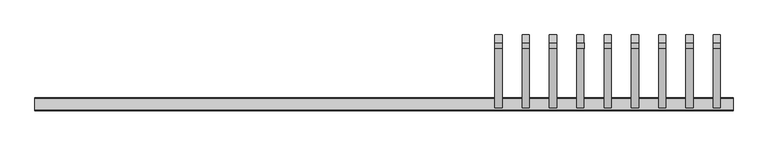
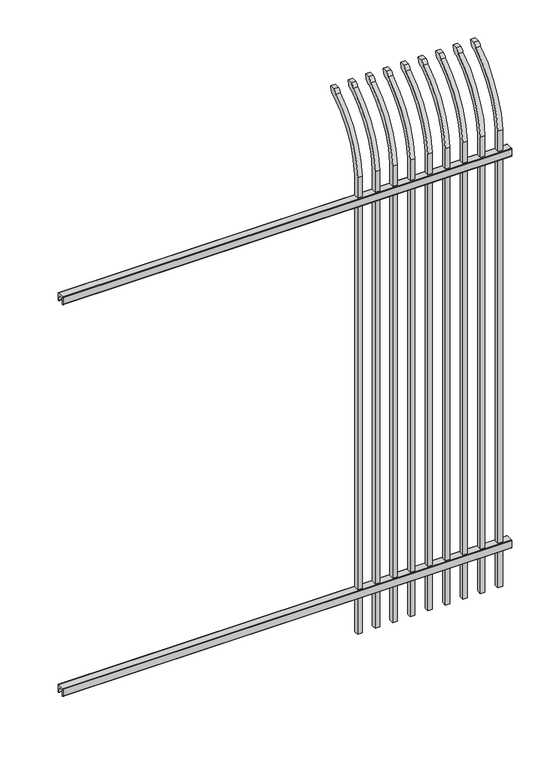
"""IFC4 building model written with IfcOpenShell, lengths in millimetres: railing geometry."""

from ifc_helpers import new_model, si_unit, point, frame, frame_2d, origin, place, context, project, spatial, polyline, circle_curve, ellipse_curve, trimmed, segment, composite_curve, outline, extrude, source, transform, mapped, element, save
from ifc_brep_helpers import plane_surface, cylinder_surface, revolved_surface, extruded_surface, advanced_brep


def railing_2c0c0bdd(model_context):
    return source(origin(), model_context, "Body", "SolidModel", [
        extrude(outline(composite_curve([segment(polyline([(8825.9139761, 304.8), (8863.969541, 304.8)]), True, "CONTINUOUS"), segment(trimmed(circle_curve(frame_2d((8863.969541, 301.625)), 3.175), [point((8863.969541, 304.8))], [point((8867.144541, 301.625))], False, "CARTESIAN"), True, "CONTINUOUS"), segment(polyline([(8867.144541, 301.625), (8867.144541, 262.1439893)]), True, "CONTINUOUS"), segment(trimmed(circle_curve(frame_2d((8865.3505518, 262.1439893)), 1.7939893), [point((8867.144541, 262.1439893))], [point((8865.3505518, 260.35))], False, "CARTESIAN"), True, "CONTINUOUS"), segment(polyline([(8865.3505518, 260.35), (8862.7590713, 260.35)]), True, "CONTINUOUS"), segment(trimmed(circle_curve(frame_2d((8862.7590713, 262.1359375)), 1.7859375), [point((8862.7590713, 260.35))], [point((8860.9755813, 262.0424688))], False, "CARTESIAN"), True, "CONTINUOUS"), segment(polyline([(8860.9755813, 262.0424688), (8859.4025867, 292.0569942), (8830.4364954, 292.0569942), (8828.8635007, 262.0424688)]), True, "CONTINUOUS"), segment(trimmed(circle_curve(frame_2d((8827.0800108, 262.1359375)), 1.7859375), [point((8828.8635007, 262.0424688))], [point((8827.0800108, 260.35))], False, "CARTESIAN"), True, "CONTINUOUS"), segment(polyline([(8827.0800108, 260.35), (8824.4804785, 260.35)]), True, "CONTINUOUS"), segment(trimmed(circle_curve(frame_2d((8824.4804785, 262.1359375)), 1.7859375), [point((8824.4804785, 260.35))], [point((8822.694541, 262.1359375))], False, "CARTESIAN"), True, "CONTINUOUS"), segment(polyline([(8822.694541, 262.1359375), (8822.694541, 301.5805649)]), True, "CONTINUOUS"), segment(trimmed(circle_curve(frame_2d((8825.9139761, 301.5805649)), 3.2194351), [point((8822.694541, 301.5805649))], [point((8825.9139761, 304.8))], False, "CARTESIAN"), True, "CONTINUOUS")], self_intersect=False)), frame((20019.7350064, 0.0, 0.0), z_axis=(1.0, 0.0, 0.0), x_axis=(0.0, 1.0, 0.0)), (0.0, 0.0, 1.0), 2438.4),
        extrude(outline(composite_curve([segment(polyline([(8825.9139761, 2555.875), (8863.969541, 2555.875)]), True, "CONTINUOUS"), segment(trimmed(circle_curve(frame_2d((8863.969541, 2552.7)), 3.175), [point((8863.969541, 2555.875))], [point((8867.144541, 2552.7))], False, "CARTESIAN"), True, "CONTINUOUS"), segment(polyline([(8867.144541, 2552.7), (8867.144541, 2513.2189893)]), True, "CONTINUOUS"), segment(trimmed(circle_curve(frame_2d((8865.3505518, 2513.2189893)), 1.7939893), [point((8867.144541, 2513.2189893))], [point((8865.3505518, 2511.425))], False, "CARTESIAN"), True, "CONTINUOUS"), segment(polyline([(8865.3505518, 2511.425), (8862.7590713, 2511.425)]), True, "CONTINUOUS"), segment(trimmed(circle_curve(frame_2d((8862.7590713, 2513.2109375)), 1.7859375), [point((8862.7590713, 2511.425))], [point((8860.9755813, 2513.1174688))], False, "CARTESIAN"), True, "CONTINUOUS"), segment(polyline([(8860.9755813, 2513.1174688), (8859.4025867, 2543.1319942), (8830.4364954, 2543.1319942), (8828.8635007, 2513.1174688)]), True, "CONTINUOUS"), segment(trimmed(circle_curve(frame_2d((8827.0800108, 2513.2109375)), 1.7859375), [point((8828.8635007, 2513.1174688))], [point((8827.0800108, 2511.425))], False, "CARTESIAN"), True, "CONTINUOUS"), segment(polyline([(8827.0800108, 2511.425), (8824.4804785, 2511.425)]), True, "CONTINUOUS"), segment(trimmed(circle_curve(frame_2d((8824.4804785, 2513.2109375)), 1.7859375), [point((8824.4804785, 2511.425))], [point((8822.694541, 2513.2109375))], False, "CARTESIAN"), True, "CONTINUOUS"), segment(polyline([(8822.694541, 2513.2109375), (8822.694541, 2552.6555649)]), True, "CONTINUOUS"), segment(trimmed(circle_curve(frame_2d((8825.9139761, 2552.6555649)), 3.2194351), [point((8822.694541, 2552.6555649))], [point((8825.9139761, 2555.875))], False, "CARTESIAN"), True, "CONTINUOUS")], self_intersect=False)), frame((20019.7350064, 0.0, 0.0), z_axis=(1.0, 0.0, 0.0), x_axis=(0.0, 1.0, 0.0)), (0.0, 0.0, 1.0), 2438.4),
        advanced_brep(
        [(22413.6850064, 8857.619541, 50.8), (22413.6850064, 8857.619541, 2673.5226889), (22413.6850064, 9054.7326851, 3005.7022378), (22413.6850064, 9081.2407099, 3020.3867549), (22413.6850064, 9087.1100864, 3048.0), (22413.6850064, 9058.8799449, 3048.0), (22413.6850064, 9039.4931591, 3027.0682561), (22413.6850064, 8832.219541, 2673.5226889), (22413.6850064, 8832.219541, 50.8), (22388.2850064, 8857.619541, 50.8), (22388.2850064, 8857.619541, 2673.5226889), (22388.2850064, 8832.219541, 2673.5226889), (22388.2850064, 8832.219541, 50.8), (22388.2850064, 9039.4931591, 3027.0682561), (22388.2850064, 9058.8799449, 3048.0), (22388.2850064, 9087.1100864, 3048.0), (22388.2850064, 9081.2407099, 3020.3867549), (22388.2850064, 9054.7326851, 3005.7022378)],
        [
            (0, 1),
            (1, 2, circle_curve(frame((22413.6850064, 9294.9874207, 2638.5640776), z_axis=(-1.0, 0.0, 0.0), x_axis=(0.0, 1.0, 0.0)), 438.7627681)),
            (2, 3, ellipse_curve(frame((22413.6850064, 9062.5579376, 3028.1180619), z_axis=(1.0, 0.0, 0.0), x_axis=(0.0, -0.7771459614569761, -0.6293203910498311)), 26.7460194, 19.05)),
            (3, 4),
            (4, 5),
            (5, 6, ellipse_curve(frame((22413.6850064, 9062.5579376, 3028.1180619), z_axis=(0.9999999999999999, 0.0, 0.0), x_axis=(0.0, -0.7771459614569769, -0.62932039104983)), 26.7460194, 19.05)),
            (6, 7, circle_curve(frame((22413.6850064, 9294.0333244, 2640.3065933), z_axis=(1.0, 0.0, 0.0), x_axis=(0.0, 1.0, 0.0)), 463.0067812)),
            (7, 8),
            (8, 0),
            (0, 9),
            (9, 10),
            (10, 1),
            (7, 11),
            (11, 12),
            (12, 8),
            (12, 9),
            (11, 13, circle_curve(frame((22388.2850064, 9294.0333244, 2640.3065933), z_axis=(-1.0, 0.0, 0.0), x_axis=(0.0, 1.0, 0.0)), 463.0067812)),
            (13, 14, ellipse_curve(frame((22388.2850064, 9062.5579376, 3028.1180619), z_axis=(-0.9999999999999999, 0.0, 0.0), x_axis=(0.0, -0.7771459614569769, -0.62932039104983)), 26.7460194, 19.05)),
            (14, 15),
            (15, 16),
            (16, 17, ellipse_curve(frame((22388.2850064, 9062.5579376, 3028.1180619), z_axis=(-1.0, 0.0, 0.0), x_axis=(0.0, -0.7771459614569761, -0.6293203910498311)), 26.7460194, 19.05)),
            (17, 10, circle_curve(frame((22388.2850064, 9294.9874207, 2638.5640776), z_axis=(1.0, 0.0, 0.0), x_axis=(0.0, 1.0, 0.0)), 438.7627681)),
            (17, 2),
            (16, 3),
            (15, 4),
            (14, 5),
            (13, 6),
        ],
        [
            plane_surface(frame((22413.6850064, 8857.619541, 50.8), z_axis=(1.0, 0.0, 0.0), x_axis=(0.0, 0.0, 1.0))),
            plane_surface(frame((22413.6850064, 8857.619541, 50.8), z_axis=(0.0, 1.0, 0.0), x_axis=(-1.0, 0.0, 0.0))),
            plane_surface(frame((22413.6850064, 8832.219541, 2673.5226889), z_axis=(0.0, -1.0, 0.0), x_axis=(-1.0, 0.0, 0.0))),
            plane_surface(frame((22413.6850064, 8832.219541, 50.8), z_axis=(0.0, 0.0, -1.0), x_axis=(-1.0, 0.0, 0.0))),
            plane_surface(frame((22388.2850064, 8857.619541, 50.8), z_axis=(-1.0, 0.0, 0.0), x_axis=(0.0, 0.0, -1.0))),
            revolved_surface(polyline([(22388.2850064, 9733.750188799999, 2638.5640776), (22413.6850064, 9733.750188799999, 2638.5640776)]), (22388.2850064, 9294.9874207, 2638.5640776), (-1.0, 0.0, 0.0)),
            extruded_surface(trimmed(ellipse_curve(frame((22362.8850064, 9062.5579376, 3028.1180619), z_axis=(1.0, 0.0, 0.0), x_axis=(0.0, -0.7771459614569761, -0.6293203910498311)), 26.7460194, 19.05), [point((22362.8850064, 9054.7326851, 3005.7022378))], [point((22362.8850064, 9081.2407099, 3020.3867549))], True, "CARTESIAN"), (25.400000000001455, 0.0, 0.0), 25.400000000001455),
            plane_surface(frame((22413.6850064, 9081.2407099, 3020.3867549), z_axis=(0.0, 0.9781476007338016, -0.2079116908177787), x_axis=(-1.0, 0.0, 0.0))),
            plane_surface(frame((22413.6850064, 9087.1100864, 3048.0), z_axis=(0.0, 0.0, 1.0), x_axis=(-1.0, 0.0, 0.0))),
            extruded_surface(trimmed(ellipse_curve(frame((22362.8850064, 9062.5579376, 3028.1180619), z_axis=(0.9999999999999999, 0.0, 0.0), x_axis=(0.0, -0.7771459614569769, -0.62932039104983)), 26.7460194, 19.05), [point((22362.8850064, 9058.8799449, 3048.0))], [point((22362.8850064, 9039.4931591, 3027.0682561))], True, "CARTESIAN"), (25.400000000001455, 0.0, 0.0), 25.400000000001455),
            cylinder_surface(frame((22388.2850064, 9294.0333244, 2640.3065933), z_axis=(1.0, 0.0, 0.0), x_axis=(0.0, 1.0, 0.0)), 463.0067812),
        ],
        [
            (0, [[1, 2, 3, 4, 5, 6, 7, 8, 9]]),
            (1, [[-1, 10, 11, 12]]),
            (2, [[-8, 13, 14, 15]]),
            (3, [[-9, -15, 16, -10]]),
            (4, [[-16, -14, 17, 18, 19, 20, 21, 22, -11]]),
            (5, [[-2, -12, -22, 23]]),
            (6, [[-3, -23, -21, 24]]),
            (7, [[-4, -24, -20, 25]]),
            (8, [[-5, -25, -19, 26]]),
            (9, [[-6, -26, -18, 27]]),
            (10, [[-7, -27, -17, -13]]),
        ],
    ),
        advanced_brep(
        [(22318.4350064, 8857.619541, 50.8), (22318.4350064, 8857.619541, 2673.5226889), (22318.4350064, 9054.7326851, 3005.7022378), (22318.4350064, 9081.2407099, 3020.3867549), (22318.4350064, 9087.1100864, 3048.0), (22318.4350064, 9058.8799449, 3048.0), (22318.4350064, 9039.4931591, 3027.0682561), (22318.4350064, 8832.219541, 2673.5226889), (22318.4350064, 8832.219541, 50.8), (22293.0350064, 8857.619541, 50.8), (22293.0350064, 8857.619541, 2673.5226889), (22293.0350064, 8832.219541, 2673.5226889), (22293.0350064, 8832.219541, 50.8), (22293.0350064, 9039.4931591, 3027.0682561), (22293.0350064, 9058.8799449, 3048.0), (22293.0350064, 9087.1100864, 3048.0), (22293.0350064, 9081.2407099, 3020.3867549), (22293.0350064, 9054.7326851, 3005.7022378)],
        [
            (0, 1),
            (1, 2, circle_curve(frame((22318.4350064, 9294.9874207, 2638.5640776), z_axis=(-1.0, 0.0, 0.0), x_axis=(0.0, 1.0, 0.0)), 438.7627681)),
            (2, 3, ellipse_curve(frame((22318.4350064, 9062.5579376, 3028.1180619), z_axis=(1.0, 0.0, 0.0), x_axis=(0.0, -0.7771459614569761, -0.6293203910498311)), 26.7460194, 19.05)),
            (3, 4),
            (4, 5),
            (5, 6, ellipse_curve(frame((22318.4350064, 9062.5579376, 3028.1180619), z_axis=(0.9999999999999999, 0.0, 0.0), x_axis=(0.0, -0.7771459614569769, -0.62932039104983)), 26.7460194, 19.05)),
            (6, 7, circle_curve(frame((22318.4350064, 9294.0333244, 2640.3065933), z_axis=(1.0, 0.0, 0.0), x_axis=(0.0, 1.0, 0.0)), 463.0067812)),
            (7, 8),
            (8, 0),
            (0, 9),
            (9, 10),
            (10, 1),
            (7, 11),
            (11, 12),
            (12, 8),
            (12, 9),
            (11, 13, circle_curve(frame((22293.0350064, 9294.0333244, 2640.3065933), z_axis=(-1.0, 0.0, 0.0), x_axis=(0.0, 1.0, 0.0)), 463.0067812)),
            (13, 14, ellipse_curve(frame((22293.0350064, 9062.5579376, 3028.1180619), z_axis=(-0.9999999999999999, 0.0, 0.0), x_axis=(0.0, -0.7771459614569769, -0.62932039104983)), 26.7460194, 19.05)),
            (14, 15),
            (15, 16),
            (16, 17, ellipse_curve(frame((22293.0350064, 9062.5579376, 3028.1180619), z_axis=(-1.0, 0.0, 0.0), x_axis=(0.0, -0.7771459614569761, -0.6293203910498311)), 26.7460194, 19.05)),
            (17, 10, circle_curve(frame((22293.0350064, 9294.9874207, 2638.5640776), z_axis=(1.0, 0.0, 0.0), x_axis=(0.0, 1.0, 0.0)), 438.7627681)),
            (17, 2),
            (16, 3),
            (15, 4),
            (14, 5),
            (13, 6),
        ],
        [
            plane_surface(frame((22318.4350064, 8857.619541, 50.8), z_axis=(1.0, 0.0, 0.0), x_axis=(0.0, 0.0, 1.0))),
            plane_surface(frame((22318.4350064, 8857.619541, 50.8), z_axis=(0.0, 1.0, 0.0), x_axis=(-1.0, 0.0, 0.0))),
            plane_surface(frame((22318.4350064, 8832.219541, 2673.5226889), z_axis=(0.0, -1.0, 0.0), x_axis=(-1.0, 0.0, 0.0))),
            plane_surface(frame((22318.4350064, 8832.219541, 50.8), z_axis=(0.0, 0.0, -1.0), x_axis=(-1.0, 0.0, 0.0))),
            plane_surface(frame((22293.0350064, 8857.619541, 50.8), z_axis=(-1.0, 0.0, 0.0), x_axis=(0.0, 0.0, -1.0))),
            revolved_surface(polyline([(22293.0350064, 9733.750188799999, 2638.5640776), (22318.4350064, 9733.750188799999, 2638.5640776)]), (22293.0350064, 9294.9874207, 2638.5640776), (-1.0, 0.0, 0.0)),
            extruded_surface(trimmed(ellipse_curve(frame((22267.6350064, 9062.5579376, 3028.1180619), z_axis=(1.0, 0.0, 0.0), x_axis=(0.0, -0.7771459614569761, -0.6293203910498311)), 26.7460194, 19.05), [point((22267.6350064, 9054.7326851, 3005.7022378))], [point((22267.6350064, 9081.2407099, 3020.3867549))], True, "CARTESIAN"), (25.400000000001455, 0.0, 0.0), 25.400000000001455),
            plane_surface(frame((22318.4350064, 9081.2407099, 3020.3867549), z_axis=(0.0, 0.9781476007338016, -0.2079116908177787), x_axis=(-1.0, 0.0, 0.0))),
            plane_surface(frame((22318.4350064, 9087.1100864, 3048.0), z_axis=(0.0, 0.0, 1.0), x_axis=(-1.0, 0.0, 0.0))),
            extruded_surface(trimmed(ellipse_curve(frame((22267.6350064, 9062.5579376, 3028.1180619), z_axis=(0.9999999999999999, 0.0, 0.0), x_axis=(0.0, -0.7771459614569769, -0.62932039104983)), 26.7460194, 19.05), [point((22267.6350064, 9058.8799449, 3048.0))], [point((22267.6350064, 9039.4931591, 3027.0682561))], True, "CARTESIAN"), (25.400000000001455, 0.0, 0.0), 25.400000000001455),
            cylinder_surface(frame((22293.0350064, 9294.0333244, 2640.3065933), z_axis=(1.0, 0.0, 0.0), x_axis=(0.0, 1.0, 0.0)), 463.0067812),
        ],
        [
            (0, [[1, 2, 3, 4, 5, 6, 7, 8, 9]]),
            (1, [[-1, 10, 11, 12]]),
            (2, [[-8, 13, 14, 15]]),
            (3, [[-9, -15, 16, -10]]),
            (4, [[-16, -14, 17, 18, 19, 20, 21, 22, -11]]),
            (5, [[-2, -12, -22, 23]]),
            (6, [[-3, -23, -21, 24]]),
            (7, [[-4, -24, -20, 25]]),
            (8, [[-5, -25, -19, 26]]),
            (9, [[-6, -26, -18, 27]]),
            (10, [[-7, -27, -17, -13]]),
        ],
    ),
        advanced_brep(
        [(22223.1850064, 8857.619541, 50.8), (22223.1850064, 8857.619541, 2673.5226889), (22223.1850064, 9054.7326851, 3005.7022378), (22223.1850064, 9081.2407099, 3020.3867549), (22223.1850064, 9087.1100864, 3048.0), (22223.1850064, 9058.8799449, 3048.0), (22223.1850064, 9039.4931591, 3027.0682561), (22223.1850064, 8832.219541, 2673.5226889), (22223.1850064, 8832.219541, 50.8), (22197.7850064, 8857.619541, 50.8), (22197.7850064, 8857.619541, 2673.5226889), (22197.7850064, 8832.219541, 2673.5226889), (22197.7850064, 8832.219541, 50.8), (22197.7850064, 9039.4931591, 3027.0682561), (22197.7850064, 9058.8799449, 3048.0), (22197.7850064, 9087.1100864, 3048.0), (22197.7850064, 9081.2407099, 3020.3867549), (22197.7850064, 9054.7326851, 3005.7022378)],
        [
            (0, 1),
            (1, 2, circle_curve(frame((22223.1850064, 9294.9874207, 2638.5640776), z_axis=(-1.0, 0.0, 0.0), x_axis=(0.0, 1.0, 0.0)), 438.7627681)),
            (2, 3, ellipse_curve(frame((22223.1850064, 9062.5579376, 3028.1180619), z_axis=(1.0, 0.0, 0.0), x_axis=(0.0, -0.7771459614569761, -0.6293203910498311)), 26.7460194, 19.05)),
            (3, 4),
            (4, 5),
            (5, 6, ellipse_curve(frame((22223.1850064, 9062.5579376, 3028.1180619), z_axis=(0.9999999999999999, 0.0, 0.0), x_axis=(0.0, -0.7771459614569769, -0.62932039104983)), 26.7460194, 19.05)),
            (6, 7, circle_curve(frame((22223.1850064, 9294.0333244, 2640.3065933), z_axis=(1.0, 0.0, 0.0), x_axis=(0.0, 1.0, 0.0)), 463.0067812)),
            (7, 8),
            (8, 0),
            (0, 9),
            (9, 10),
            (10, 1),
            (7, 11),
            (11, 12),
            (12, 8),
            (12, 9),
            (11, 13, circle_curve(frame((22197.7850064, 9294.0333244, 2640.3065933), z_axis=(-1.0, 0.0, 0.0), x_axis=(0.0, 1.0, 0.0)), 463.0067812)),
            (13, 14, ellipse_curve(frame((22197.7850064, 9062.5579376, 3028.1180619), z_axis=(-0.9999999999999999, 0.0, 0.0), x_axis=(0.0, -0.7771459614569769, -0.62932039104983)), 26.7460194, 19.05)),
            (14, 15),
            (15, 16),
            (16, 17, ellipse_curve(frame((22197.7850064, 9062.5579376, 3028.1180619), z_axis=(-1.0, 0.0, 0.0), x_axis=(0.0, -0.7771459614569761, -0.6293203910498311)), 26.7460194, 19.05)),
            (17, 10, circle_curve(frame((22197.7850064, 9294.9874207, 2638.5640776), z_axis=(1.0, 0.0, 0.0), x_axis=(0.0, 1.0, 0.0)), 438.7627681)),
            (17, 2),
            (16, 3),
            (15, 4),
            (14, 5),
            (13, 6),
        ],
        [
            plane_surface(frame((22223.1850064, 8857.619541, 50.8), z_axis=(1.0, 0.0, 0.0), x_axis=(0.0, 0.0, 1.0))),
            plane_surface(frame((22223.1850064, 8857.619541, 50.8), z_axis=(0.0, 1.0, 0.0), x_axis=(-1.0, 0.0, 0.0))),
            plane_surface(frame((22223.1850064, 8832.219541, 2673.5226889), z_axis=(0.0, -1.0, 0.0), x_axis=(-1.0, 0.0, 0.0))),
            plane_surface(frame((22223.1850064, 8832.219541, 50.8), z_axis=(0.0, 0.0, -1.0), x_axis=(-1.0, 0.0, 0.0))),
            plane_surface(frame((22197.7850064, 8857.619541, 50.8), z_axis=(-1.0, 0.0, 0.0), x_axis=(0.0, 0.0, -1.0))),
            revolved_surface(polyline([(22197.7850064, 9733.750188799999, 2638.5640776), (22223.1850064, 9733.750188799999, 2638.5640776)]), (22197.7850064, 9294.9874207, 2638.5640776), (-1.0, 0.0, 0.0)),
            extruded_surface(trimmed(ellipse_curve(frame((22172.3850064, 9062.5579376, 3028.1180619), z_axis=(1.0, 0.0, 0.0), x_axis=(0.0, -0.7771459614569761, -0.6293203910498311)), 26.7460194, 19.05), [point((22172.3850064, 9054.7326851, 3005.7022378))], [point((22172.3850064, 9081.2407099, 3020.3867549))], True, "CARTESIAN"), (25.400000000001455, 0.0, 0.0), 25.400000000001455),
            plane_surface(frame((22223.1850064, 9081.2407099, 3020.3867549), z_axis=(0.0, 0.9781476007338016, -0.2079116908177787), x_axis=(-1.0, 0.0, 0.0))),
            plane_surface(frame((22223.1850064, 9087.1100864, 3048.0), z_axis=(0.0, 0.0, 1.0), x_axis=(-1.0, 0.0, 0.0))),
            extruded_surface(trimmed(ellipse_curve(frame((22172.3850064, 9062.5579376, 3028.1180619), z_axis=(0.9999999999999999, 0.0, 0.0), x_axis=(0.0, -0.7771459614569769, -0.62932039104983)), 26.7460194, 19.05), [point((22172.3850064, 9058.8799449, 3048.0))], [point((22172.3850064, 9039.4931591, 3027.0682561))], True, "CARTESIAN"), (25.400000000001455, 0.0, 0.0), 25.400000000001455),
            cylinder_surface(frame((22197.7850064, 9294.0333244, 2640.3065933), z_axis=(1.0, 0.0, 0.0), x_axis=(0.0, 1.0, 0.0)), 463.0067812),
        ],
        [
            (0, [[1, 2, 3, 4, 5, 6, 7, 8, 9]]),
            (1, [[-1, 10, 11, 12]]),
            (2, [[-8, 13, 14, 15]]),
            (3, [[-9, -15, 16, -10]]),
            (4, [[-16, -14, 17, 18, 19, 20, 21, 22, -11]]),
            (5, [[-2, -12, -22, 23]]),
            (6, [[-3, -23, -21, 24]]),
            (7, [[-4, -24, -20, 25]]),
            (8, [[-5, -25, -19, 26]]),
            (9, [[-6, -26, -18, 27]]),
            (10, [[-7, -27, -17, -13]]),
        ],
    ),
        advanced_brep(
        [(22127.9350064, 8857.619541, 50.8), (22127.9350064, 8857.619541, 2673.5226889), (22127.9350064, 9054.7326851, 3005.7022378), (22127.9350064, 9081.2407099, 3020.3867549), (22127.9350064, 9087.1100864, 3048.0), (22127.9350064, 9058.8799449, 3048.0), (22127.9350064, 9039.4931591, 3027.0682561), (22127.9350064, 8832.219541, 2673.5226889), (22127.9350064, 8832.219541, 50.8), (22102.5350064, 8857.619541, 50.8), (22102.5350064, 8857.619541, 2673.5226889), (22102.5350064, 8832.219541, 2673.5226889), (22102.5350064, 8832.219541, 50.8), (22102.5350064, 9039.4931591, 3027.0682561), (22102.5350064, 9058.8799449, 3048.0), (22102.5350064, 9087.1100864, 3048.0), (22102.5350064, 9081.2407099, 3020.3867549), (22102.5350064, 9054.7326851, 3005.7022378)],
        [
            (0, 1),
            (1, 2, circle_curve(frame((22127.9350064, 9294.9874207, 2638.5640776), z_axis=(-1.0, 0.0, 0.0), x_axis=(0.0, 1.0, 0.0)), 438.7627681)),
            (2, 3, ellipse_curve(frame((22127.9350064, 9062.5579376, 3028.1180619), z_axis=(1.0, 0.0, 0.0), x_axis=(0.0, -0.7771459614569761, -0.6293203910498311)), 26.7460194, 19.05)),
            (3, 4),
            (4, 5),
            (5, 6, ellipse_curve(frame((22127.9350064, 9062.5579376, 3028.1180619), z_axis=(0.9999999999999999, 0.0, 0.0), x_axis=(0.0, -0.7771459614569769, -0.62932039104983)), 26.7460194, 19.05)),
            (6, 7, circle_curve(frame((22127.9350064, 9294.0333244, 2640.3065933), z_axis=(1.0, 0.0, 0.0), x_axis=(0.0, 1.0, 0.0)), 463.0067812)),
            (7, 8),
            (8, 0),
            (0, 9),
            (9, 10),
            (10, 1),
            (7, 11),
            (11, 12),
            (12, 8),
            (12, 9),
            (11, 13, circle_curve(frame((22102.5350064, 9294.0333244, 2640.3065933), z_axis=(-1.0, 0.0, 0.0), x_axis=(0.0, 1.0, 0.0)), 463.0067812)),
            (13, 14, ellipse_curve(frame((22102.5350064, 9062.5579376, 3028.1180619), z_axis=(-0.9999999999999999, 0.0, 0.0), x_axis=(0.0, -0.7771459614569769, -0.62932039104983)), 26.7460194, 19.05)),
            (14, 15),
            (15, 16),
            (16, 17, ellipse_curve(frame((22102.5350064, 9062.5579376, 3028.1180619), z_axis=(-1.0, 0.0, 0.0), x_axis=(0.0, -0.7771459614569761, -0.6293203910498311)), 26.7460194, 19.05)),
            (17, 10, circle_curve(frame((22102.5350064, 9294.9874207, 2638.5640776), z_axis=(1.0, 0.0, 0.0), x_axis=(0.0, 1.0, 0.0)), 438.7627681)),
            (17, 2),
            (16, 3),
            (15, 4),
            (14, 5),
            (13, 6),
        ],
        [
            plane_surface(frame((22127.9350064, 8857.619541, 50.8), z_axis=(1.0, 0.0, 0.0), x_axis=(0.0, 0.0, 1.0))),
            plane_surface(frame((22127.9350064, 8857.619541, 50.8), z_axis=(0.0, 1.0, 0.0), x_axis=(-1.0, 0.0, 0.0))),
            plane_surface(frame((22127.9350064, 8832.219541, 2673.5226889), z_axis=(0.0, -1.0, 0.0), x_axis=(-1.0, 0.0, 0.0))),
            plane_surface(frame((22127.9350064, 8832.219541, 50.8), z_axis=(0.0, 0.0, -1.0), x_axis=(-1.0, 0.0, 0.0))),
            plane_surface(frame((22102.5350064, 8857.619541, 50.8), z_axis=(-1.0, 0.0, 0.0), x_axis=(0.0, 0.0, -1.0))),
            revolved_surface(polyline([(22102.5350064, 9733.750188799999, 2638.5640776), (22127.9350064, 9733.750188799999, 2638.5640776)]), (22102.5350064, 9294.9874207, 2638.5640776), (-1.0, 0.0, 0.0)),
            extruded_surface(trimmed(ellipse_curve(frame((22077.1350064, 9062.5579376, 3028.1180619), z_axis=(1.0, 0.0, 0.0), x_axis=(0.0, -0.7771459614569761, -0.6293203910498311)), 26.7460194, 19.05), [point((22077.1350064, 9054.7326851, 3005.7022378))], [point((22077.1350064, 9081.2407099, 3020.3867549))], True, "CARTESIAN"), (25.400000000001455, 0.0, 0.0), 25.400000000001455),
            plane_surface(frame((22127.9350064, 9081.2407099, 3020.3867549), z_axis=(0.0, 0.9781476007338016, -0.2079116908177787), x_axis=(-1.0, 0.0, 0.0))),
            plane_surface(frame((22127.9350064, 9087.1100864, 3048.0), z_axis=(0.0, 0.0, 1.0), x_axis=(-1.0, 0.0, 0.0))),
            extruded_surface(trimmed(ellipse_curve(frame((22077.1350064, 9062.5579376, 3028.1180619), z_axis=(0.9999999999999999, 0.0, 0.0), x_axis=(0.0, -0.7771459614569769, -0.62932039104983)), 26.7460194, 19.05), [point((22077.1350064, 9058.8799449, 3048.0))], [point((22077.1350064, 9039.4931591, 3027.0682561))], True, "CARTESIAN"), (25.400000000001455, 0.0, 0.0), 25.400000000001455),
            cylinder_surface(frame((22102.5350064, 9294.0333244, 2640.3065933), z_axis=(1.0, 0.0, 0.0), x_axis=(0.0, 1.0, 0.0)), 463.0067812),
        ],
        [
            (0, [[1, 2, 3, 4, 5, 6, 7, 8, 9]]),
            (1, [[-1, 10, 11, 12]]),
            (2, [[-8, 13, 14, 15]]),
            (3, [[-9, -15, 16, -10]]),
            (4, [[-16, -14, 17, 18, 19, 20, 21, 22, -11]]),
            (5, [[-2, -12, -22, 23]]),
            (6, [[-3, -23, -21, 24]]),
            (7, [[-4, -24, -20, 25]]),
            (8, [[-5, -25, -19, 26]]),
            (9, [[-6, -26, -18, 27]]),
            (10, [[-7, -27, -17, -13]]),
        ],
    ),
        advanced_brep(
        [(22032.6850064, 8857.619541, 50.8), (22032.6850064, 8857.619541, 2673.5226889), (22032.6850064, 9054.7326851, 3005.7022378), (22032.6850064, 9081.2407099, 3020.3867549), (22032.6850064, 9087.1100864, 3048.0), (22032.6850064, 9058.8799449, 3048.0), (22032.6850064, 9039.4931591, 3027.0682561), (22032.6850064, 8832.219541, 2673.5226889), (22032.6850064, 8832.219541, 50.8), (22007.2850064, 8857.619541, 50.8), (22007.2850064, 8857.619541, 2673.5226889), (22007.2850064, 8832.219541, 2673.5226889), (22007.2850064, 8832.219541, 50.8), (22007.2850064, 9039.4931591, 3027.0682561), (22007.2850064, 9058.8799449, 3048.0), (22007.2850064, 9087.1100864, 3048.0), (22007.2850064, 9081.2407099, 3020.3867549), (22007.2850064, 9054.7326851, 3005.7022378)],
        [
            (0, 1),
            (1, 2, circle_curve(frame((22032.6850064, 9294.9874207, 2638.5640776), z_axis=(-1.0, 0.0, 0.0), x_axis=(0.0, 1.0, 0.0)), 438.7627681)),
            (2, 3, ellipse_curve(frame((22032.6850064, 9062.5579376, 3028.1180619), z_axis=(1.0, 0.0, 0.0), x_axis=(0.0, -0.7771459614569761, -0.6293203910498311)), 26.7460194, 19.05)),
            (3, 4),
            (4, 5),
            (5, 6, ellipse_curve(frame((22032.6850064, 9062.5579376, 3028.1180619), z_axis=(0.9999999999999999, 0.0, 0.0), x_axis=(0.0, -0.7771459614569769, -0.62932039104983)), 26.7460194, 19.05)),
            (6, 7, circle_curve(frame((22032.6850064, 9294.0333244, 2640.3065933), z_axis=(1.0, 0.0, 0.0), x_axis=(0.0, 1.0, 0.0)), 463.0067812)),
            (7, 8),
            (8, 0),
            (0, 9),
            (9, 10),
            (10, 1),
            (7, 11),
            (11, 12),
            (12, 8),
            (12, 9),
            (11, 13, circle_curve(frame((22007.2850064, 9294.0333244, 2640.3065933), z_axis=(-1.0, 0.0, 0.0), x_axis=(0.0, 1.0, 0.0)), 463.0067812)),
            (13, 14, ellipse_curve(frame((22007.2850064, 9062.5579376, 3028.1180619), z_axis=(-0.9999999999999999, 0.0, 0.0), x_axis=(0.0, -0.7771459614569769, -0.62932039104983)), 26.7460194, 19.05)),
            (14, 15),
            (15, 16),
            (16, 17, ellipse_curve(frame((22007.2850064, 9062.5579376, 3028.1180619), z_axis=(-1.0, 0.0, 0.0), x_axis=(0.0, -0.7771459614569761, -0.6293203910498311)), 26.7460194, 19.05)),
            (17, 10, circle_curve(frame((22007.2850064, 9294.9874207, 2638.5640776), z_axis=(1.0, 0.0, 0.0), x_axis=(0.0, 1.0, 0.0)), 438.7627681)),
            (17, 2),
            (16, 3),
            (15, 4),
            (14, 5),
            (13, 6),
        ],
        [
            plane_surface(frame((22032.6850064, 8857.619541, 50.8), z_axis=(1.0, 0.0, 0.0), x_axis=(0.0, 0.0, 1.0))),
            plane_surface(frame((22032.6850064, 8857.619541, 50.8), z_axis=(0.0, 1.0, 0.0), x_axis=(-1.0, 0.0, 0.0))),
            plane_surface(frame((22032.6850064, 8832.219541, 2673.5226889), z_axis=(0.0, -1.0, 0.0), x_axis=(-1.0, 0.0, 0.0))),
            plane_surface(frame((22032.6850064, 8832.219541, 50.8), z_axis=(0.0, 0.0, -1.0), x_axis=(-1.0, 0.0, 0.0))),
            plane_surface(frame((22007.2850064, 8857.619541, 50.8), z_axis=(-1.0, 0.0, 0.0), x_axis=(0.0, 0.0, -1.0))),
            revolved_surface(polyline([(22007.2850064, 9733.750188799999, 2638.5640776), (22032.6850064, 9733.750188799999, 2638.5640776)]), (22007.2850064, 9294.9874207, 2638.5640776), (-1.0, 0.0, 0.0)),
            extruded_surface(trimmed(ellipse_curve(frame((21981.8850064, 9062.5579376, 3028.1180619), z_axis=(1.0, 0.0, 0.0), x_axis=(0.0, -0.7771459614569761, -0.6293203910498311)), 26.7460194, 19.05), [point((21981.8850064, 9054.7326851, 3005.7022378))], [point((21981.8850064, 9081.2407099, 3020.3867549))], True, "CARTESIAN"), (25.400000000001455, 0.0, 0.0), 25.400000000001455),
            plane_surface(frame((22032.6850064, 9081.2407099, 3020.3867549), z_axis=(0.0, 0.9781476007338016, -0.2079116908177787), x_axis=(-1.0, 0.0, 0.0))),
            plane_surface(frame((22032.6850064, 9087.1100864, 3048.0), z_axis=(0.0, 0.0, 1.0), x_axis=(-1.0, 0.0, 0.0))),
            extruded_surface(trimmed(ellipse_curve(frame((21981.8850064, 9062.5579376, 3028.1180619), z_axis=(0.9999999999999999, 0.0, 0.0), x_axis=(0.0, -0.7771459614569769, -0.62932039104983)), 26.7460194, 19.05), [point((21981.8850064, 9058.8799449, 3048.0))], [point((21981.8850064, 9039.4931591, 3027.0682561))], True, "CARTESIAN"), (25.400000000001455, 0.0, 0.0), 25.400000000001455),
            cylinder_surface(frame((22007.2850064, 9294.0333244, 2640.3065933), z_axis=(1.0, 0.0, 0.0), x_axis=(0.0, 1.0, 0.0)), 463.0067812),
        ],
        [
            (0, [[1, 2, 3, 4, 5, 6, 7, 8, 9]]),
            (1, [[-1, 10, 11, 12]]),
            (2, [[-8, 13, 14, 15]]),
            (3, [[-9, -15, 16, -10]]),
            (4, [[-16, -14, 17, 18, 19, 20, 21, 22, -11]]),
            (5, [[-2, -12, -22, 23]]),
            (6, [[-3, -23, -21, 24]]),
            (7, [[-4, -24, -20, 25]]),
            (8, [[-5, -25, -19, 26]]),
            (9, [[-6, -26, -18, 27]]),
            (10, [[-7, -27, -17, -13]]),
        ],
    ),
        advanced_brep(
        [(21937.4350064, 8857.619541, 50.8), (21937.4350064, 8857.619541, 2673.5226889), (21937.4350064, 9054.7326851, 3005.7022378), (21937.4350064, 9081.2407099, 3020.3867549), (21937.4350064, 9087.1100864, 3048.0), (21937.4350064, 9058.8799449, 3048.0), (21937.4350064, 9039.4931591, 3027.0682561), (21937.4350064, 8832.219541, 2673.5226889), (21937.4350064, 8832.219541, 50.8), (21912.0350064, 8857.619541, 50.8), (21912.0350064, 8857.619541, 2673.5226889), (21912.0350064, 8832.219541, 2673.5226889), (21912.0350064, 8832.219541, 50.8), (21912.0350064, 9039.4931591, 3027.0682561), (21912.0350064, 9058.8799449, 3048.0), (21912.0350064, 9087.1100864, 3048.0), (21912.0350064, 9081.2407099, 3020.3867549), (21912.0350064, 9054.7326851, 3005.7022378)],
        [
            (0, 1),
            (1, 2, circle_curve(frame((21937.4350064, 9294.9874207, 2638.5640776), z_axis=(-1.0, 0.0, 0.0), x_axis=(0.0, 1.0, 0.0)), 438.7627681)),
            (2, 3, ellipse_curve(frame((21937.4350064, 9062.5579376, 3028.1180619), z_axis=(1.0, 0.0, 0.0), x_axis=(0.0, -0.7771459614569761, -0.6293203910498311)), 26.7460194, 19.05)),
            (3, 4),
            (4, 5),
            (5, 6, ellipse_curve(frame((21937.4350064, 9062.5579376, 3028.1180619), z_axis=(0.9999999999999999, 0.0, 0.0), x_axis=(0.0, -0.7771459614569769, -0.62932039104983)), 26.7460194, 19.05)),
            (6, 7, circle_curve(frame((21937.4350064, 9294.0333244, 2640.3065933), z_axis=(1.0, 0.0, 0.0), x_axis=(0.0, 1.0, 0.0)), 463.0067812)),
            (7, 8),
            (8, 0),
            (0, 9),
            (9, 10),
            (10, 1),
            (7, 11),
            (11, 12),
            (12, 8),
            (12, 9),
            (11, 13, circle_curve(frame((21912.0350064, 9294.0333244, 2640.3065933), z_axis=(-1.0, 0.0, 0.0), x_axis=(0.0, 1.0, 0.0)), 463.0067812)),
            (13, 14, ellipse_curve(frame((21912.0350064, 9062.5579376, 3028.1180619), z_axis=(-0.9999999999999999, 0.0, 0.0), x_axis=(0.0, -0.7771459614569769, -0.62932039104983)), 26.7460194, 19.05)),
            (14, 15),
            (15, 16),
            (16, 17, ellipse_curve(frame((21912.0350064, 9062.5579376, 3028.1180619), z_axis=(-1.0, 0.0, 0.0), x_axis=(0.0, -0.7771459614569761, -0.6293203910498311)), 26.7460194, 19.05)),
            (17, 10, circle_curve(frame((21912.0350064, 9294.9874207, 2638.5640776), z_axis=(1.0, 0.0, 0.0), x_axis=(0.0, 1.0, 0.0)), 438.7627681)),
            (17, 2),
            (16, 3),
            (15, 4),
            (14, 5),
            (13, 6),
        ],
        [
            plane_surface(frame((21937.4350064, 8857.619541, 50.8), z_axis=(1.0, 0.0, 0.0), x_axis=(0.0, 0.0, 1.0))),
            plane_surface(frame((21937.4350064, 8857.619541, 50.8), z_axis=(0.0, 1.0, 0.0), x_axis=(-1.0, 0.0, 0.0))),
            plane_surface(frame((21937.4350064, 8832.219541, 2673.5226889), z_axis=(0.0, -1.0, 0.0), x_axis=(-1.0, 0.0, 0.0))),
            plane_surface(frame((21937.4350064, 8832.219541, 50.8), z_axis=(0.0, 0.0, -1.0), x_axis=(-1.0, 0.0, 0.0))),
            plane_surface(frame((21912.0350064, 8857.619541, 50.8), z_axis=(-1.0, 0.0, 0.0), x_axis=(0.0, 0.0, -1.0))),
            revolved_surface(polyline([(21912.0350064, 9733.750188799999, 2638.5640776), (21937.4350064, 9733.750188799999, 2638.5640776)]), (21912.0350064, 9294.9874207, 2638.5640776), (-1.0, 0.0, 0.0)),
            extruded_surface(trimmed(ellipse_curve(frame((21886.6350064, 9062.5579376, 3028.1180619), z_axis=(1.0, 0.0, 0.0), x_axis=(0.0, -0.7771459614569761, -0.6293203910498311)), 26.7460194, 19.05), [point((21886.6350064, 9054.7326851, 3005.7022378))], [point((21886.6350064, 9081.2407099, 3020.3867549))], True, "CARTESIAN"), (25.400000000001455, 0.0, 0.0), 25.400000000001455),
            plane_surface(frame((21937.4350064, 9081.2407099, 3020.3867549), z_axis=(0.0, 0.9781476007338016, -0.2079116908177787), x_axis=(-1.0, 0.0, 0.0))),
            plane_surface(frame((21937.4350064, 9087.1100864, 3048.0), z_axis=(0.0, 0.0, 1.0), x_axis=(-1.0, 0.0, 0.0))),
            extruded_surface(trimmed(ellipse_curve(frame((21886.6350064, 9062.5579376, 3028.1180619), z_axis=(0.9999999999999999, 0.0, 0.0), x_axis=(0.0, -0.7771459614569769, -0.62932039104983)), 26.7460194, 19.05), [point((21886.6350064, 9058.8799449, 3048.0))], [point((21886.6350064, 9039.4931591, 3027.0682561))], True, "CARTESIAN"), (25.400000000001455, 0.0, 0.0), 25.400000000001455),
            cylinder_surface(frame((21912.0350064, 9294.0333244, 2640.3065933), z_axis=(1.0, 0.0, 0.0), x_axis=(0.0, 1.0, 0.0)), 463.0067812),
        ],
        [
            (0, [[1, 2, 3, 4, 5, 6, 7, 8, 9]]),
            (1, [[-1, 10, 11, 12]]),
            (2, [[-8, 13, 14, 15]]),
            (3, [[-9, -15, 16, -10]]),
            (4, [[-16, -14, 17, 18, 19, 20, 21, 22, -11]]),
            (5, [[-2, -12, -22, 23]]),
            (6, [[-3, -23, -21, 24]]),
            (7, [[-4, -24, -20, 25]]),
            (8, [[-5, -25, -19, 26]]),
            (9, [[-6, -26, -18, 27]]),
            (10, [[-7, -27, -17, -13]]),
        ],
    ),
        advanced_brep(
        [(21842.1850064, 8857.619541, 50.8), (21842.1850064, 8857.619541, 2673.5226889), (21842.1850064, 9054.7326851, 3005.7022378), (21842.1850064, 9081.2407099, 3020.3867549), (21842.1850064, 9087.1100864, 3048.0), (21842.1850064, 9058.8799449, 3048.0), (21842.1850064, 9039.4931591, 3027.0682561), (21842.1850064, 8832.219541, 2673.5226889), (21842.1850064, 8832.219541, 50.8), (21816.7850064, 8857.619541, 50.8), (21816.7850064, 8857.619541, 2673.5226889), (21816.7850064, 8832.219541, 2673.5226889), (21816.7850064, 8832.219541, 50.8), (21816.7850064, 9039.4931591, 3027.0682561), (21816.7850064, 9058.8799449, 3048.0), (21816.7850064, 9087.1100864, 3048.0), (21816.7850064, 9081.2407099, 3020.3867549), (21816.7850064, 9054.7326851, 3005.7022378)],
        [
            (0, 1),
            (1, 2, circle_curve(frame((21842.1850064, 9294.9874207, 2638.5640776), z_axis=(-1.0, 0.0, 0.0), x_axis=(0.0, 1.0, 0.0)), 438.7627681)),
            (2, 3, ellipse_curve(frame((21842.1850064, 9062.5579376, 3028.1180619), z_axis=(1.0, 0.0, 0.0), x_axis=(0.0, -0.7771459614569761, -0.6293203910498311)), 26.7460194, 19.05)),
            (3, 4),
            (4, 5),
            (5, 6, ellipse_curve(frame((21842.1850064, 9062.5579376, 3028.1180619), z_axis=(0.9999999999999999, 0.0, 0.0), x_axis=(0.0, -0.7771459614569769, -0.62932039104983)), 26.7460194, 19.05)),
            (6, 7, circle_curve(frame((21842.1850064, 9294.0333244, 2640.3065933), z_axis=(1.0, 0.0, 0.0), x_axis=(0.0, 1.0, 0.0)), 463.0067812)),
            (7, 8),
            (8, 0),
            (0, 9),
            (9, 10),
            (10, 1),
            (7, 11),
            (11, 12),
            (12, 8),
            (12, 9),
            (11, 13, circle_curve(frame((21816.7850064, 9294.0333244, 2640.3065933), z_axis=(-1.0, 0.0, 0.0), x_axis=(0.0, 1.0, 0.0)), 463.0067812)),
            (13, 14, ellipse_curve(frame((21816.7850064, 9062.5579376, 3028.1180619), z_axis=(-0.9999999999999999, 0.0, 0.0), x_axis=(0.0, -0.7771459614569769, -0.62932039104983)), 26.7460194, 19.05)),
            (14, 15),
            (15, 16),
            (16, 17, ellipse_curve(frame((21816.7850064, 9062.5579376, 3028.1180619), z_axis=(-1.0, 0.0, 0.0), x_axis=(0.0, -0.7771459614569761, -0.6293203910498311)), 26.7460194, 19.05)),
            (17, 10, circle_curve(frame((21816.7850064, 9294.9874207, 2638.5640776), z_axis=(1.0, 0.0, 0.0), x_axis=(0.0, 1.0, 0.0)), 438.7627681)),
            (17, 2),
            (16, 3),
            (15, 4),
            (14, 5),
            (13, 6),
        ],
        [
            plane_surface(frame((21842.1850064, 8857.619541, 50.8), z_axis=(1.0, 0.0, 0.0), x_axis=(0.0, 0.0, 1.0))),
            plane_surface(frame((21842.1850064, 8857.619541, 50.8), z_axis=(0.0, 1.0, 0.0), x_axis=(-1.0, 0.0, 0.0))),
            plane_surface(frame((21842.1850064, 8832.219541, 2673.5226889), z_axis=(0.0, -1.0, 0.0), x_axis=(-1.0, 0.0, 0.0))),
            plane_surface(frame((21842.1850064, 8832.219541, 50.8), z_axis=(0.0, 0.0, -1.0), x_axis=(-1.0, 0.0, 0.0))),
            plane_surface(frame((21816.7850064, 8857.619541, 50.8), z_axis=(-1.0, 0.0, 0.0), x_axis=(0.0, 0.0, -1.0))),
            revolved_surface(polyline([(21816.7850064, 9733.750188799999, 2638.5640776), (21842.1850064, 9733.750188799999, 2638.5640776)]), (21816.7850064, 9294.9874207, 2638.5640776), (-1.0, 0.0, 0.0)),
            extruded_surface(trimmed(ellipse_curve(frame((21791.3850064, 9062.5579376, 3028.1180619), z_axis=(1.0, 0.0, 0.0), x_axis=(0.0, -0.7771459614569761, -0.6293203910498311)), 26.7460194, 19.05), [point((21791.3850064, 9054.7326851, 3005.7022378))], [point((21791.3850064, 9081.2407099, 3020.3867549))], True, "CARTESIAN"), (25.400000000001455, 0.0, 0.0), 25.400000000001455),
            plane_surface(frame((21842.1850064, 9081.2407099, 3020.3867549), z_axis=(0.0, 0.9781476007338016, -0.2079116908177787), x_axis=(-1.0, 0.0, 0.0))),
            plane_surface(frame((21842.1850064, 9087.1100864, 3048.0), z_axis=(0.0, 0.0, 1.0), x_axis=(-1.0, 0.0, 0.0))),
            extruded_surface(trimmed(ellipse_curve(frame((21791.3850064, 9062.5579376, 3028.1180619), z_axis=(0.9999999999999999, 0.0, 0.0), x_axis=(0.0, -0.7771459614569769, -0.62932039104983)), 26.7460194, 19.05), [point((21791.3850064, 9058.8799449, 3048.0))], [point((21791.3850064, 9039.4931591, 3027.0682561))], True, "CARTESIAN"), (25.400000000001455, 0.0, 0.0), 25.400000000001455),
            cylinder_surface(frame((21816.7850064, 9294.0333244, 2640.3065933), z_axis=(1.0, 0.0, 0.0), x_axis=(0.0, 1.0, 0.0)), 463.0067812),
        ],
        [
            (0, [[1, 2, 3, 4, 5, 6, 7, 8, 9]]),
            (1, [[-1, 10, 11, 12]]),
            (2, [[-8, 13, 14, 15]]),
            (3, [[-9, -15, 16, -10]]),
            (4, [[-16, -14, 17, 18, 19, 20, 21, 22, -11]]),
            (5, [[-2, -12, -22, 23]]),
            (6, [[-3, -23, -21, 24]]),
            (7, [[-4, -24, -20, 25]]),
            (8, [[-5, -25, -19, 26]]),
            (9, [[-6, -26, -18, 27]]),
            (10, [[-7, -27, -17, -13]]),
        ],
    ),
        advanced_brep(
        [(21746.9350064, 8857.619541, 50.8), (21746.9350064, 8857.619541, 2673.5226889), (21746.9350064, 9054.7326851, 3005.7022378), (21746.9350064, 9081.2407099, 3020.3867549), (21746.9350064, 9087.1100864, 3048.0), (21746.9350064, 9058.8799449, 3048.0), (21746.9350064, 9039.4931591, 3027.0682561), (21746.9350064, 8832.219541, 2673.5226889), (21746.9350064, 8832.219541, 50.8), (21721.5350064, 8857.619541, 50.8), (21721.5350064, 8857.619541, 2673.5226889), (21721.5350064, 8832.219541, 2673.5226889), (21721.5350064, 8832.219541, 50.8), (21721.5350064, 9039.4931591, 3027.0682561), (21721.5350064, 9058.8799449, 3048.0), (21721.5350064, 9087.1100864, 3048.0), (21721.5350064, 9081.2407099, 3020.3867549), (21721.5350064, 9054.7326851, 3005.7022378)],
        [
            (0, 1),
            (1, 2, circle_curve(frame((21746.9350064, 9294.9874207, 2638.5640776), z_axis=(-1.0, 0.0, 0.0), x_axis=(0.0, 1.0, 0.0)), 438.7627681)),
            (2, 3, ellipse_curve(frame((21746.9350064, 9062.5579376, 3028.1180619), z_axis=(1.0, 0.0, 0.0), x_axis=(0.0, -0.7771459614569761, -0.6293203910498311)), 26.7460194, 19.05)),
            (3, 4),
            (4, 5),
            (5, 6, ellipse_curve(frame((21746.9350064, 9062.5579376, 3028.1180619), z_axis=(0.9999999999999999, 0.0, 0.0), x_axis=(0.0, -0.7771459614569769, -0.62932039104983)), 26.7460194, 19.05)),
            (6, 7, circle_curve(frame((21746.9350064, 9294.0333244, 2640.3065933), z_axis=(1.0, 0.0, 0.0), x_axis=(0.0, 1.0, 0.0)), 463.0067812)),
            (7, 8),
            (8, 0),
            (0, 9),
            (9, 10),
            (10, 1),
            (7, 11),
            (11, 12),
            (12, 8),
            (12, 9),
            (11, 13, circle_curve(frame((21721.5350064, 9294.0333244, 2640.3065933), z_axis=(-1.0, 0.0, 0.0), x_axis=(0.0, 1.0, 0.0)), 463.0067812)),
            (13, 14, ellipse_curve(frame((21721.5350064, 9062.5579376, 3028.1180619), z_axis=(-0.9999999999999999, 0.0, 0.0), x_axis=(0.0, -0.7771459614569769, -0.62932039104983)), 26.7460194, 19.05)),
            (14, 15),
            (15, 16),
            (16, 17, ellipse_curve(frame((21721.5350064, 9062.5579376, 3028.1180619), z_axis=(-1.0, 0.0, 0.0), x_axis=(0.0, -0.7771459614569761, -0.6293203910498311)), 26.7460194, 19.05)),
            (17, 10, circle_curve(frame((21721.5350064, 9294.9874207, 2638.5640776), z_axis=(1.0, 0.0, 0.0), x_axis=(0.0, 1.0, 0.0)), 438.7627681)),
            (17, 2),
            (16, 3),
            (15, 4),
            (14, 5),
            (13, 6),
        ],
        [
            plane_surface(frame((21746.9350064, 8857.619541, 50.8), z_axis=(1.0, 0.0, 0.0), x_axis=(0.0, 0.0, 1.0))),
            plane_surface(frame((21746.9350064, 8857.619541, 50.8), z_axis=(0.0, 1.0, 0.0), x_axis=(-1.0, 0.0, 0.0))),
            plane_surface(frame((21746.9350064, 8832.219541, 2673.5226889), z_axis=(0.0, -1.0, 0.0), x_axis=(-1.0, 0.0, 0.0))),
            plane_surface(frame((21746.9350064, 8832.219541, 50.8), z_axis=(0.0, 0.0, -1.0), x_axis=(-1.0, 0.0, 0.0))),
            plane_surface(frame((21721.5350064, 8857.619541, 50.8), z_axis=(-1.0, 0.0, 0.0), x_axis=(0.0, 0.0, -1.0))),
            revolved_surface(polyline([(21721.5350064, 9733.750188799999, 2638.5640776), (21746.9350064, 9733.750188799999, 2638.5640776)]), (21721.5350064, 9294.9874207, 2638.5640776), (-1.0, 0.0, 0.0)),
            extruded_surface(trimmed(ellipse_curve(frame((21696.1350064, 9062.5579376, 3028.1180619), z_axis=(1.0, 0.0, 0.0), x_axis=(0.0, -0.7771459614569761, -0.6293203910498311)), 26.7460194, 19.05), [point((21696.1350064, 9054.7326851, 3005.7022378))], [point((21696.1350064, 9081.2407099, 3020.3867549))], True, "CARTESIAN"), (25.400000000001455, 0.0, 0.0), 25.400000000001455),
            plane_surface(frame((21746.9350064, 9081.2407099, 3020.3867549), z_axis=(0.0, 0.9781476007338016, -0.2079116908177787), x_axis=(-1.0, 0.0, 0.0))),
            plane_surface(frame((21746.9350064, 9087.1100864, 3048.0), z_axis=(0.0, 0.0, 1.0), x_axis=(-1.0, 0.0, 0.0))),
            extruded_surface(trimmed(ellipse_curve(frame((21696.1350064, 9062.5579376, 3028.1180619), z_axis=(0.9999999999999999, 0.0, 0.0), x_axis=(0.0, -0.7771459614569769, -0.62932039104983)), 26.7460194, 19.05), [point((21696.1350064, 9058.8799449, 3048.0))], [point((21696.1350064, 9039.4931591, 3027.0682561))], True, "CARTESIAN"), (25.400000000001455, 0.0, 0.0), 25.400000000001455),
            cylinder_surface(frame((21721.5350064, 9294.0333244, 2640.3065933), z_axis=(1.0, 0.0, 0.0), x_axis=(0.0, 1.0, 0.0)), 463.0067812),
        ],
        [
            (0, [[1, 2, 3, 4, 5, 6, 7, 8, 9]]),
            (1, [[-1, 10, 11, 12]]),
            (2, [[-8, 13, 14, 15]]),
            (3, [[-9, -15, 16, -10]]),
            (4, [[-16, -14, 17, 18, 19, 20, 21, 22, -11]]),
            (5, [[-2, -12, -22, 23]]),
            (6, [[-3, -23, -21, 24]]),
            (7, [[-4, -24, -20, 25]]),
            (8, [[-5, -25, -19, 26]]),
            (9, [[-6, -26, -18, 27]]),
            (10, [[-7, -27, -17, -13]]),
        ],
    ),
        advanced_brep(
        [(21651.6850064, 8857.619541, 50.8), (21651.6850064, 8857.619541, 2673.5226889), (21651.6850064, 9054.7326851, 3005.7022378), (21651.6850064, 9081.2407099, 3020.3867549), (21651.6850064, 9087.1100864, 3048.0), (21651.6850064, 9058.8799449, 3048.0), (21651.6850064, 9039.4931591, 3027.0682561), (21651.6850064, 8832.219541, 2673.5226889), (21651.6850064, 8832.219541, 50.8), (21626.2850064, 8857.619541, 50.8), (21626.2850064, 8857.619541, 2673.5226889), (21626.2850064, 8832.219541, 2673.5226889), (21626.2850064, 8832.219541, 50.8), (21626.2850064, 9039.4931591, 3027.0682561), (21626.2850064, 9058.8799449, 3048.0), (21626.2850064, 9087.1100864, 3048.0), (21626.2850064, 9081.2407099, 3020.3867549), (21626.2850064, 9054.7326851, 3005.7022378)],
        [
            (0, 1),
            (1, 2, circle_curve(frame((21651.6850064, 9294.9874207, 2638.5640776), z_axis=(-1.0, 0.0, 0.0), x_axis=(0.0, 1.0, 0.0)), 438.7627681)),
            (2, 3, ellipse_curve(frame((21651.6850064, 9062.5579376, 3028.1180619), z_axis=(1.0, 0.0, 0.0), x_axis=(0.0, -0.7771459614569761, -0.6293203910498311)), 26.7460194, 19.05)),
            (3, 4),
            (4, 5),
            (5, 6, ellipse_curve(frame((21651.6850064, 9062.5579376, 3028.1180619), z_axis=(0.9999999999999999, 0.0, 0.0), x_axis=(0.0, -0.7771459614569769, -0.62932039104983)), 26.7460194, 19.05)),
            (6, 7, circle_curve(frame((21651.6850064, 9294.0333244, 2640.3065933), z_axis=(1.0, 0.0, 0.0), x_axis=(0.0, 1.0, 0.0)), 463.0067812)),
            (7, 8),
            (8, 0),
            (0, 9),
            (9, 10),
            (10, 1),
            (7, 11),
            (11, 12),
            (12, 8),
            (12, 9),
            (11, 13, circle_curve(frame((21626.2850064, 9294.0333244, 2640.3065933), z_axis=(-1.0, 0.0, 0.0), x_axis=(0.0, 1.0, 0.0)), 463.0067812)),
            (13, 14, ellipse_curve(frame((21626.2850064, 9062.5579376, 3028.1180619), z_axis=(-0.9999999999999999, 0.0, 0.0), x_axis=(0.0, -0.7771459614569769, -0.62932039104983)), 26.7460194, 19.05)),
            (14, 15),
            (15, 16),
            (16, 17, ellipse_curve(frame((21626.2850064, 9062.5579376, 3028.1180619), z_axis=(-1.0, 0.0, 0.0), x_axis=(0.0, -0.7771459614569761, -0.6293203910498311)), 26.7460194, 19.05)),
            (17, 10, circle_curve(frame((21626.2850064, 9294.9874207, 2638.5640776), z_axis=(1.0, 0.0, 0.0), x_axis=(0.0, 1.0, 0.0)), 438.7627681)),
            (17, 2),
            (16, 3),
            (15, 4),
            (14, 5),
            (13, 6),
        ],
        [
            plane_surface(frame((21651.6850064, 8857.619541, 50.8), z_axis=(1.0, 0.0, 0.0), x_axis=(0.0, 0.0, 1.0))),
            plane_surface(frame((21651.6850064, 8857.619541, 50.8), z_axis=(0.0, 1.0, 0.0), x_axis=(-1.0, 0.0, 0.0))),
            plane_surface(frame((21651.6850064, 8832.219541, 2673.5226889), z_axis=(0.0, -1.0, 0.0), x_axis=(-1.0, 0.0, 0.0))),
            plane_surface(frame((21651.6850064, 8832.219541, 50.8), z_axis=(0.0, 0.0, -1.0), x_axis=(-1.0, 0.0, 0.0))),
            plane_surface(frame((21626.2850064, 8857.619541, 50.8), z_axis=(-1.0, 0.0, 0.0), x_axis=(0.0, 0.0, -1.0))),
            revolved_surface(polyline([(21626.2850064, 9733.750188799999, 2638.5640776), (21651.6850064, 9733.750188799999, 2638.5640776)]), (21626.2850064, 9294.9874207, 2638.5640776), (-1.0, 0.0, 0.0)),
            extruded_surface(trimmed(ellipse_curve(frame((21600.8850064, 9062.5579376, 3028.1180619), z_axis=(1.0, 0.0, 0.0), x_axis=(0.0, -0.7771459614569761, -0.6293203910498311)), 26.7460194, 19.05), [point((21600.8850064, 9054.7326851, 3005.7022378))], [point((21600.8850064, 9081.2407099, 3020.3867549))], True, "CARTESIAN"), (25.400000000001455, 0.0, 0.0), 25.400000000001455),
            plane_surface(frame((21651.6850064, 9081.2407099, 3020.3867549), z_axis=(0.0, 0.9781476007338016, -0.2079116908177787), x_axis=(-1.0, 0.0, 0.0))),
            plane_surface(frame((21651.6850064, 9087.1100864, 3048.0), z_axis=(0.0, 0.0, 1.0), x_axis=(-1.0, 0.0, 0.0))),
            extruded_surface(trimmed(ellipse_curve(frame((21600.8850064, 9062.5579376, 3028.1180619), z_axis=(0.9999999999999999, 0.0, 0.0), x_axis=(0.0, -0.7771459614569769, -0.62932039104983)), 26.7460194, 19.05), [point((21600.8850064, 9058.8799449, 3048.0))], [point((21600.8850064, 9039.4931591, 3027.0682561))], True, "CARTESIAN"), (25.400000000001455, 0.0, 0.0), 25.400000000001455),
            cylinder_surface(frame((21626.2850064, 9294.0333244, 2640.3065933), z_axis=(1.0, 0.0, 0.0), x_axis=(0.0, 1.0, 0.0)), 463.0067812),
        ],
        [
            (0, [[1, 2, 3, 4, 5, 6, 7, 8, 9]]),
            (1, [[-1, 10, 11, 12]]),
            (2, [[-8, 13, 14, 15]]),
            (3, [[-9, -15, 16, -10]]),
            (4, [[-16, -14, 17, 18, 19, 20, 21, 22, -11]]),
            (5, [[-2, -12, -22, 23]]),
            (6, [[-3, -23, -21, 24]]),
            (7, [[-4, -24, -20, 25]]),
            (8, [[-5, -25, -19, 26]]),
            (9, [[-6, -26, -18, 27]]),
            (10, [[-7, -27, -17, -13]]),
        ],
    ),
    ])


if __name__ == "__main__":
    model = new_model("IFC4")
    model_context = context("Model", 3, world=origin())
    ifc_project = project(units=[si_unit("LENGTHUNIT", "METRE", prefix="MILLI")], contexts=[model_context])
    site = spatial("IfcSite", under=ifc_project)
    building = spatial("IfcBuilding", under=site)
    placement = place(None, origin())
    railing_shape = railing_2c0c0bdd(model_context)
    element("IfcRailing", 1, at=placement, inside=building, context=model_context, shape_type="MappedRepresentation", body=[
        mapped(railing_shape, transform((0.0, 0.0, 0.0), x_axis=(1.0, 0.0, 0.0), y_axis=(0.0, 1.0, 0.0), z_axis=(0.0, 0.0, 1.0))),
    ])
    save(model, "model.ifc")
